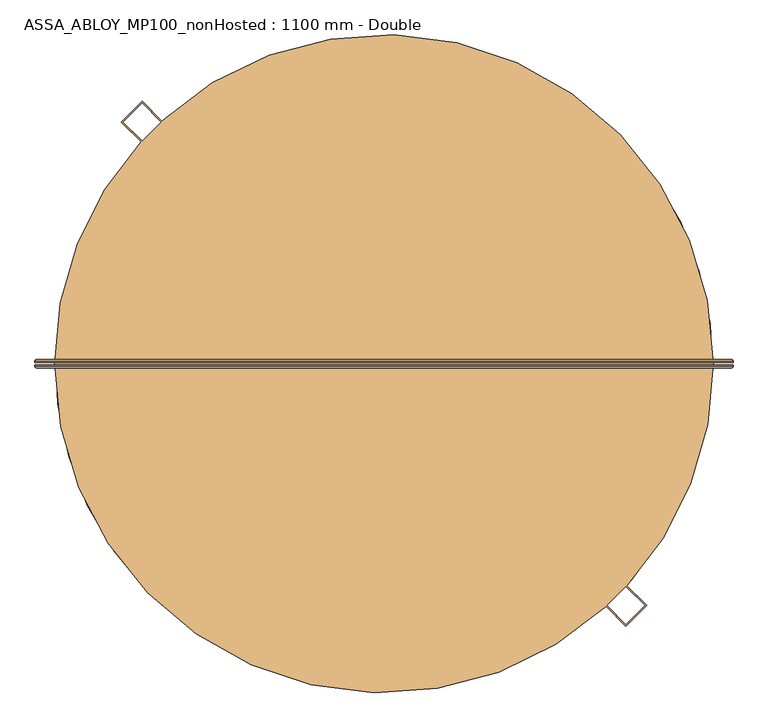
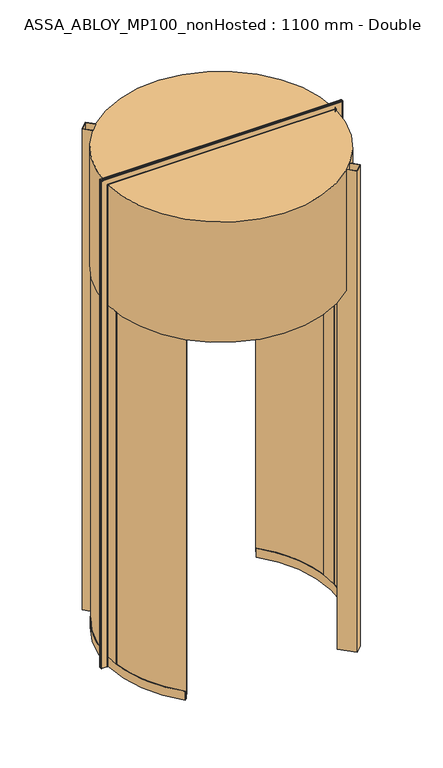
"""IFC4 building model written with IfcOpenShell, lengths in millimetres: door geometry, ASSA_ABLOY_MP100_nonHosted : 1100 mm - Double."""

from ifc_helpers import new_model, si_unit, point, frame, origin, origin_2d, place, context, project, spatial, polyline, circle_curve, ellipse_curve, trimmed, segment, composite_curve, outline, extrude, source, transform, mapped, element, save
from ifc_brep_helpers import plane_surface, cylinder_surface, revolved_surface, advanced_brep


def assa_abloy_mp100_nonhosted_1100_mm_double_1630bb38(model_context):
    return source(origin(), model_context, "Body", "SolidModel", [
        advanced_brep(
        [(945.0980762, 11.0, 0.0), (949.0980762, 7.0, 0.0), (949.0980762, 3.0, 0.0), (947.0980762, 3.0, 0.0), (947.0980762, 7.0, 0.0), (945.0980762, 9.0, 0.0), (903.0980762, 9.0, 0.0), (901.0980762, 7.0, 0.0), (901.0980762, 3.0, 0.0), (899.0980762, 3.0, 0.0), (899.0980762, 7.0, 0.0), (903.0980762, 11.0, 0.0), (945.0980762, 11.0, 4050.9980762), (949.0980762, 7.0, 4054.9980762), (949.0980762, 3.0, 4054.9980762), (899.0980762, 7.0, 4004.9980762), (903.0980762, 11.0, 4008.9980762), (-903.0980762, 11.0, 4008.9980762), (-903.0980762, 11.0, 0.0), (-945.0980762, 11.0, 0.0), (-945.0980762, 11.0, 4050.9980762), (-949.0980762, 7.0, 4054.9980762), (-949.0980762, 3.0, 4054.9980762), (-899.0980762, 7.0, 4004.9980762), (-899.0980762, 7.0, 0.0), (-899.0980762, 3.0, 0.0), (-901.0980762, 3.0, 0.0), (-901.0980762, 7.0, 0.0), (-903.0980762, 9.0, 0.0), (-945.0980762, 9.0, 0.0), (-947.0980762, 7.0, 0.0), (-947.0980762, 3.0, 0.0), (-949.0980762, 3.0, 0.0), (-949.0980762, 7.0, 0.0), (-947.0980762, 3.0, 4052.9980762), (947.0980762, 3.0, 4052.9980762), (947.0980762, 7.0, 4052.9980762), (945.0980762, 9.0, 4050.9980762), (-945.0980762, 9.0, 4050.9980762), (-903.0980762, 9.0, 4008.9980762), (903.0980762, 9.0, 4008.9980762), (901.0980762, 7.0, 4006.9980762), (901.0980762, 3.0, 4006.9980762), (-901.0980762, 3.0, 4006.9980762), (-899.0980762, 3.0, 4004.9980762), (899.0980762, 3.0, 4004.9980762), (-947.0980762, 7.0, 4052.9980762), (-901.0980762, 7.0, 4006.9980762)],
        [
            (0, 1, circle_curve(frame((945.0980762, 7.0, 0.0), z_axis=(0.0, 0.0, -1.0), x_axis=(-1.0, 0.0, 0.0)), 4.0)),
            (1, 2),
            (2, 3),
            (3, 4),
            (4, 5, circle_curve(frame((945.0980762, 7.0, 0.0), z_axis=(0.0, 0.0, 1.0), x_axis=(-1.0, 0.0, 0.0)), 2.0)),
            (5, 6),
            (6, 7, circle_curve(frame((903.0980762, 7.0, 0.0), z_axis=(0.0, 0.0, 1.0), x_axis=(-1.0, 0.0, 0.0)), 2.0)),
            (7, 8),
            (8, 9),
            (9, 10),
            (10, 11, circle_curve(frame((903.0980762, 7.0, 0.0), z_axis=(0.0, 0.0, -1.0), x_axis=(-1.0, 0.0, 0.0)), 4.0)),
            (11, 0),
            (0, 12),
            (12, 13, ellipse_curve(frame((945.0980762, 7.0, 4050.9980762), z_axis=(0.7071067811865475, 0.0, -0.7071067811865475), x_axis=(-0.7071067811865474, 0.0, -0.7071067811865476)), 5.6568542, 4.0)),
            (13, 1),
            (13, 14),
            (14, 2),
            (10, 15),
            (15, 16, ellipse_curve(frame((903.0980762, 7.0, 4008.9980762), z_axis=(0.7071067811865475, 0.0, -0.7071067811865475), x_axis=(-0.7071067811865474, 0.0, -0.7071067811865476)), 5.6568542, 4.0)),
            (16, 11),
            (16, 17),
            (17, 18),
            (18, 19),
            (19, 20),
            (20, 12),
            (20, 21, ellipse_curve(frame((-945.0980762, 7.0, 4050.9980762), z_axis=(0.7071067811865475, 0.0, 0.7071067811865475), x_axis=(0.7071067811865476, 0.0, -0.7071067811865474)), 5.6568542, 4.0)),
            (21, 13),
            (21, 22),
            (22, 14),
            (15, 23),
            (23, 17, ellipse_curve(frame((-903.0980762, 7.0, 4008.9980762), z_axis=(0.7071067811865475, 0.0, 0.7071067811865475), x_axis=(0.7071067811865476, 0.0, -0.7071067811865474)), 5.6568542, 4.0)),
            (18, 24, circle_curve(frame((-903.0980762, 7.0, 0.0), z_axis=(0.0, 0.0, -1.0), x_axis=(1.0, 0.0, 0.0)), 4.0)),
            (24, 25),
            (25, 26),
            (26, 27),
            (27, 28, circle_curve(frame((-903.0980762, 7.0, 0.0), z_axis=(0.0, 0.0, 1.0), x_axis=(1.0, 0.0, 0.0)), 2.0)),
            (28, 29),
            (29, 30, circle_curve(frame((-945.0980762, 7.0, 0.0), z_axis=(0.0, 0.0, 1.0), x_axis=(1.0, 0.0, 0.0)), 2.0)),
            (30, 31),
            (31, 32),
            (32, 33),
            (33, 19, circle_curve(frame((-945.0980762, 7.0, 0.0), z_axis=(0.0, 0.0, -1.0), x_axis=(1.0, 0.0, 0.0)), 4.0)),
            (33, 21),
            (32, 22),
            (23, 24),
            (31, 34),
            (34, 35),
            (35, 3),
            (35, 36),
            (36, 4),
            (36, 37, ellipse_curve(frame((945.0980762, 7.0, 4050.9980762), z_axis=(-0.7071067811865475, 0.0, 0.7071067811865475), x_axis=(0.7071067811865474, 0.0, 0.7071067811865476)), 2.8284271, 2.0)),
            (37, 5),
            (37, 38),
            (38, 29),
            (28, 39),
            (39, 40),
            (40, 6),
            (40, 41, ellipse_curve(frame((903.0980762, 7.0, 4008.9980762), z_axis=(-0.7071067811865475, 0.0, 0.7071067811865475), x_axis=(0.7071067811865474, 0.0, 0.7071067811865476)), 2.8284271, 2.0)),
            (41, 7),
            (41, 42),
            (42, 8),
            (42, 43),
            (43, 26),
            (25, 44),
            (44, 45),
            (45, 9),
            (45, 15),
            (34, 46),
            (46, 36),
            (46, 38, ellipse_curve(frame((-945.0980762, 7.0, 4050.9980762), z_axis=(-0.7071067811865475, 0.0, -0.7071067811865475), x_axis=(-0.7071067811865476, 0.0, 0.7071067811865474)), 2.8284271, 2.0)),
            (39, 47, ellipse_curve(frame((-903.0980762, 7.0, 4008.9980762), z_axis=(-0.7071067811865475, 0.0, -0.7071067811865475), x_axis=(-0.7071067811865476, 0.0, 0.7071067811865474)), 2.8284271, 2.0)),
            (47, 41),
            (47, 43),
            (44, 23),
            (30, 46),
            (27, 47),
        ],
        [
            plane_surface(frame((899.1, 0.0, 0.0), z_axis=(0.0, 0.0, -1.0), x_axis=(0.0, -1.0, 0.0))),
            cylinder_surface(frame((945.0980762, 7.0, 0.0), z_axis=(0.0, 0.0, -1.0), x_axis=(-1.0, 0.0, 0.0)), 4.0),
            plane_surface(frame((949.0980762, 7.0, 0.0), z_axis=(1.0, 0.0, 0.0), x_axis=(0.0, 0.0, 1.0))),
            cylinder_surface(frame((903.0980762, 7.0, 0.0), z_axis=(0.0, 0.0, -1.0), x_axis=(-1.0, 0.0, 0.0)), 4.0),
            plane_surface(frame((903.0980762, 11.0, 0.0), z_axis=(0.0, 1.0, 0.0), x_axis=(0.0, 0.0, 1.0))),
            cylinder_surface(frame((899.1, 7.0, 4050.9980762), z_axis=(1.0, 0.0, 0.0), x_axis=(0.0, 0.0, -1.0)), 4.0),
            plane_surface(frame((949.0980762, 7.0, 4054.9980762), z_axis=(0.0, 0.0, 1.0), x_axis=(-1.0, 0.0, 0.0))),
            cylinder_surface(frame((899.1, 7.0, 4008.9980762), z_axis=(1.0, 0.0, 0.0), x_axis=(0.0, 0.0, -1.0)), 4.0),
            plane_surface(frame((-899.1, 0.0, 0.0), z_axis=(0.0, 0.0, -1.0), x_axis=(0.0, -1.0, 0.0))),
            cylinder_surface(frame((-945.0980762, 7.0, 4005.0), z_axis=(0.0, 0.0, 1.0), x_axis=(1.0, 0.0, 0.0)), 4.0),
            plane_surface(frame((-949.0980762, 7.0, 4054.9980762), z_axis=(-1.0, 0.0, 0.0), x_axis=(0.0, 0.0, -1.0))),
            cylinder_surface(frame((-903.0980762, 7.0, 4005.0), z_axis=(0.0, 0.0, 1.0), x_axis=(1.0, 0.0, 0.0)), 4.0),
            plane_surface(frame((949.0980762, 3.0, 0.0), z_axis=(0.0, -1.0, 0.0), x_axis=(0.0, 0.0, 1.0))),
            plane_surface(frame((947.0980762, 3.0, 0.0), z_axis=(-1.0, 0.0, 0.0), x_axis=(0.0, 0.0, 1.0))),
            revolved_surface(polyline([(943.0980762, 7.0, 4052.9980762), (943.0980762, 7.0, 0.0)]), (945.0980762, 7.0, 0.0), (0.0, 0.0, 1.0)),
            plane_surface(frame((945.0980762, 9.0, 0.0), z_axis=(0.0, -1.0, 0.0), x_axis=(0.0, 0.0, 1.0))),
            revolved_surface(polyline([(901.0980762, 7.0, 4010.998076182502), (901.0980762, 7.0, 0.0)]), (903.0980762, 7.0, 0.0), (0.0, 0.0, 1.0)),
            plane_surface(frame((901.0980762, 7.0, 0.0), z_axis=(1.0, 0.0, 0.0), x_axis=(0.0, 0.0, 1.0))),
            plane_surface(frame((901.0980762, 3.0, 0.0), z_axis=(0.0, -1.0, 0.0), x_axis=(0.0, 0.0, 1.0))),
            plane_surface(frame((899.0980762, 3.0, 0.0), z_axis=(-1.0, 0.0, 0.0), x_axis=(0.0, 0.0, 1.0))),
            plane_surface(frame((947.0980762, 3.0, 4052.9980762), z_axis=(0.0, 0.0, -1.0), x_axis=(-1.0, 0.0, 0.0))),
            revolved_surface(polyline([(-947.0980762, 7.0, 4048.9980762), (947.0980762, 7.0, 4048.9980762)]), (899.1, 7.0, 4050.9980762), (-1.0, 0.0, 0.0)),
            revolved_surface(polyline([(-905.0980761825018, 7.0, 4006.9980762), (905.0980761825018, 7.0, 4006.9980762)]), (899.1, 7.0, 4008.9980762), (-1.0, 0.0, 0.0)),
            plane_surface(frame((901.0980762, 7.0, 4006.9980762), z_axis=(0.0, 0.0, 1.0), x_axis=(-1.0, 0.0, 0.0))),
            plane_surface(frame((899.0980762, 3.0, 4004.9980762), z_axis=(0.0, 0.0, -1.0), x_axis=(-1.0, 0.0, 0.0))),
            plane_surface(frame((-947.0980762, 3.0, 4052.9980762), z_axis=(1.0, 0.0, 0.0), x_axis=(0.0, 0.0, -1.0))),
            revolved_surface(polyline([(-943.0980762, 7.0, 0.0), (-943.0980762, 7.0, 4052.9980762)]), (-945.0980762, 7.0, 4005.0), (0.0, 0.0, -1.0)),
            revolved_surface(polyline([(-901.0980762, 7.0, 0.0), (-901.0980762, 7.0, 4010.998076182502)]), (-903.0980762, 7.0, 4005.0), (0.0, 0.0, -1.0)),
            plane_surface(frame((-901.0980762, 7.0, 4006.9980762), z_axis=(-1.0, 0.0, 0.0), x_axis=(0.0, 0.0, -1.0))),
            plane_surface(frame((-899.0980762, 3.0, 4004.9980762), z_axis=(1.0, 0.0, 0.0), x_axis=(0.0, 0.0, -1.0))),
        ],
        [
            (0, [[1, 2, 3, 4, 5, 6, 7, 8, 9, 10, 11, 12]]),
            (1, [[-1, 13, 14, 15]]),
            (2, [[-2, -15, 16, 17]]),
            (3, [[-11, 18, 19, 20]]),
            (4, [[-12, -20, 21, 22, 23, 24, 25, -13]]),
            (5, [[-14, -25, 26, 27]]),
            (6, [[-16, -27, 28, 29]]),
            (7, [[-19, 30, 31, -21]]),
            (8, [[-23, 32, 33, 34, 35, 36, 37, 38, 39, 40, 41, 42]]),
            (9, [[-26, -24, -42, 43]]),
            (10, [[-28, -43, -41, 44]]),
            (11, [[-31, 45, -32, -22]]),
            (12, [[-3, -17, -29, -44, -40, 46, 47, 48]]),
            (13, [[-4, -48, 49, 50]]),
            (14, [[-5, -50, 51, 52]]),
            (15, [[-6, -52, 53, 54, -37, 55, 56, 57]]),
            (16, [[-7, -57, 58, 59]]),
            (17, [[-8, -59, 60, 61]]),
            (18, [[-9, -61, 62, 63, -34, 64, 65, 66]]),
            (19, [[-10, -66, 67, -18]]),
            (20, [[-49, -47, 68, 69]]),
            (21, [[-51, -69, 70, -53]]),
            (22, [[-58, -56, 71, 72]]),
            (23, [[-60, -72, 73, -62]]),
            (24, [[-67, -65, 74, -30]]),
            (25, [[-68, -46, -39, 75]]),
            (26, [[-70, -75, -38, -54]]),
            (27, [[-71, -55, -36, 76]]),
            (28, [[-73, -76, -35, -63]]),
            (29, [[-74, -64, -33, -45]]),
        ],
    ),
        advanced_brep(
        [(899.0980762, -3.0, 0.0), (901.0980762, -3.0, 0.0), (901.0980762, -7.0, 0.0), (903.0980762, -9.0, 0.0), (945.0980762, -9.0, 0.0), (947.0980762, -7.0, 0.0), (947.0980762, -3.0, 0.0), (949.0980762, -3.0, 0.0), (949.0980762, -7.0, 0.0), (945.0980762, -11.0, 0.0), (903.0980762, -11.0, 0.0), (899.0980762, -7.0, 0.0), (949.0980762, -7.0, 4054.9980762), (945.0980762, -11.0, 4050.9980762), (-945.0980762, -11.0, 4050.9980762), (-945.0980762, -11.0, 0.0), (-903.0980762, -11.0, 0.0), (-903.0980762, -11.0, 4008.9980762), (903.0980762, -11.0, 4008.9980762), (899.0980762, -7.0, 4004.9980762), (899.0980762, -3.0, 4004.9980762), (-949.0980762, -7.0, 4054.9980762), (-899.0980762, -7.0, 4004.9980762), (-899.0980762, -3.0, 4004.9980762), (-899.0980762, -3.0, 0.0), (-899.0980762, -7.0, 0.0), (-949.0980762, -7.0, 0.0), (-949.0980762, -3.0, 0.0), (-947.0980762, -3.0, 0.0), (-947.0980762, -7.0, 0.0), (-945.0980762, -9.0, 0.0), (-903.0980762, -9.0, 0.0), (-901.0980762, -7.0, 0.0), (-901.0980762, -3.0, 0.0), (-901.0980762, -3.0, 4006.9980762), (901.0980762, -3.0, 4006.9980762), (901.0980762, -7.0, 4006.9980762), (903.0980762, -9.0, 4008.9980762), (-903.0980762, -9.0, 4008.9980762), (-945.0980762, -9.0, 4050.9980762), (945.0980762, -9.0, 4050.9980762), (947.0980762, -7.0, 4052.9980762), (947.0980762, -3.0, 4052.9980762), (-947.0980762, -3.0, 4052.9980762), (-949.0980762, -3.0, 4054.9980762), (949.0980762, -3.0, 4054.9980762), (-901.0980762, -7.0, 4006.9980762), (-947.0980762, -7.0, 4052.9980762)],
        [
            (0, 1),
            (1, 2),
            (2, 3, circle_curve(frame((903.0980762, -7.0, 0.0), z_axis=(0.0, 0.0, 1.0), x_axis=(-1.0, 0.0, 0.0)), 2.0)),
            (3, 4),
            (4, 5, circle_curve(frame((945.0980762, -7.0, 0.0), z_axis=(0.0, 0.0, 1.0), x_axis=(-1.0, 0.0, 0.0)), 2.0)),
            (5, 6),
            (6, 7),
            (7, 8),
            (8, 9, circle_curve(frame((945.0980762, -7.0, 0.0), z_axis=(0.0, 0.0, -1.0), x_axis=(-1.0, 0.0, 0.0)), 4.0)),
            (9, 10),
            (10, 11, circle_curve(frame((903.0980762, -7.0, 0.0), z_axis=(0.0, 0.0, -1.0), x_axis=(-1.0, 0.0, 0.0)), 4.0)),
            (11, 0),
            (8, 12),
            (12, 13, ellipse_curve(frame((945.0980762, -7.0, 4050.9980762), z_axis=(0.7071067811865475, 0.0, -0.7071067811865475), x_axis=(-0.7071067811865474, 0.0, -0.7071067811865476)), 5.6568542, 4.0)),
            (13, 9),
            (13, 14),
            (14, 15),
            (15, 16),
            (16, 17),
            (17, 18),
            (18, 10),
            (18, 19, ellipse_curve(frame((903.0980762, -7.0, 4008.9980762), z_axis=(0.7071067811865475, 0.0, -0.7071067811865475), x_axis=(-0.7071067811865474, 0.0, -0.7071067811865476)), 5.6568542, 4.0)),
            (19, 11),
            (19, 20),
            (20, 0),
            (12, 21),
            (21, 14, ellipse_curve(frame((-945.0980762, -7.0, 4050.9980762), z_axis=(0.7071067811865475, 0.0, 0.7071067811865475), x_axis=(0.7071067811865476, 0.0, -0.7071067811865474)), 5.6568542, 4.0)),
            (17, 22, ellipse_curve(frame((-903.0980762, -7.0, 4008.9980762), z_axis=(0.7071067811865475, 0.0, 0.7071067811865475), x_axis=(0.7071067811865476, 0.0, -0.7071067811865474)), 5.6568542, 4.0)),
            (22, 19),
            (22, 23),
            (23, 20),
            (24, 25),
            (25, 16, circle_curve(frame((-903.0980762, -7.0, 0.0), z_axis=(0.0, 0.0, -1.0), x_axis=(1.0, 0.0, 0.0)), 4.0)),
            (15, 26, circle_curve(frame((-945.0980762, -7.0, 0.0), z_axis=(0.0, 0.0, -1.0), x_axis=(1.0, 0.0, 0.0)), 4.0)),
            (26, 27),
            (27, 28),
            (28, 29),
            (29, 30, circle_curve(frame((-945.0980762, -7.0, 0.0), z_axis=(0.0, 0.0, 1.0), x_axis=(1.0, 0.0, 0.0)), 2.0)),
            (30, 31),
            (31, 32, circle_curve(frame((-903.0980762, -7.0, 0.0), z_axis=(0.0, 0.0, 1.0), x_axis=(1.0, 0.0, 0.0)), 2.0)),
            (32, 33),
            (33, 24),
            (21, 26),
            (25, 22),
            (24, 23),
            (33, 34),
            (34, 35),
            (35, 1),
            (35, 36),
            (36, 2),
            (36, 37, ellipse_curve(frame((903.0980762, -7.0, 4008.9980762), z_axis=(-0.7071067811865475, 0.0, 0.7071067811865475), x_axis=(0.7071067811865474, 0.0, 0.7071067811865476)), 2.8284271, 2.0)),
            (37, 3),
            (37, 38),
            (38, 31),
            (30, 39),
            (39, 40),
            (40, 4),
            (40, 41, ellipse_curve(frame((945.0980762, -7.0, 4050.9980762), z_axis=(-0.7071067811865475, 0.0, 0.7071067811865475), x_axis=(0.7071067811865474, 0.0, 0.7071067811865476)), 2.8284271, 2.0)),
            (41, 5),
            (41, 42),
            (42, 6),
            (42, 43),
            (43, 28),
            (27, 44),
            (44, 45),
            (45, 7),
            (45, 12),
            (34, 46),
            (46, 36),
            (46, 38, ellipse_curve(frame((-903.0980762, -7.0, 4008.9980762), z_axis=(-0.7071067811865475, 0.0, -0.7071067811865475), x_axis=(-0.7071067811865476, 0.0, 0.7071067811865474)), 2.8284271, 2.0)),
            (39, 47, ellipse_curve(frame((-945.0980762, -7.0, 4050.9980762), z_axis=(-0.7071067811865475, 0.0, -0.7071067811865475), x_axis=(-0.7071067811865476, 0.0, 0.7071067811865474)), 2.8284271, 2.0)),
            (47, 41),
            (47, 43),
            (44, 21),
            (32, 46),
            (29, 47),
        ],
        [
            plane_surface(frame((899.1, 0.0, 0.0), z_axis=(0.0, 0.0, -1.0), x_axis=(0.0, -1.0, 0.0))),
            cylinder_surface(frame((945.0980762, -7.0, 0.0), z_axis=(0.0, 0.0, -1.0), x_axis=(-1.0, 0.0, 0.0)), 4.0),
            plane_surface(frame((945.0980762, -11.0, 0.0), z_axis=(0.0, -1.0, 0.0), x_axis=(0.0, 0.0, 1.0))),
            cylinder_surface(frame((903.0980762, -7.0, 0.0), z_axis=(0.0, 0.0, -1.0), x_axis=(-1.0, 0.0, 0.0)), 4.0),
            plane_surface(frame((899.0980762, -7.0, 0.0), z_axis=(-1.0, 0.0, 0.0), x_axis=(0.0, 0.0, 1.0))),
            cylinder_surface(frame((899.1, -7.0, 4050.9980762), z_axis=(1.0, 0.0, 0.0), x_axis=(0.0, 0.0, -1.0)), 4.0),
            cylinder_surface(frame((899.1, -7.0, 4008.9980762), z_axis=(1.0, 0.0, 0.0), x_axis=(0.0, 0.0, -1.0)), 4.0),
            plane_surface(frame((899.0980762, -7.0, 4004.9980762), z_axis=(0.0, 0.0, -1.0), x_axis=(-1.0, 0.0, 0.0))),
            plane_surface(frame((-899.1, 0.0, 0.0), z_axis=(0.0, 0.0, -1.0), x_axis=(0.0, -1.0, 0.0))),
            cylinder_surface(frame((-945.0980762, -7.0, 4005.0), z_axis=(0.0, 0.0, 1.0), x_axis=(1.0, 0.0, 0.0)), 4.0),
            cylinder_surface(frame((-903.0980762, -7.0, 4005.0), z_axis=(0.0, 0.0, 1.0), x_axis=(1.0, 0.0, 0.0)), 4.0),
            plane_surface(frame((-899.0980762, -7.0, 4004.9980762), z_axis=(1.0, 0.0, 0.0), x_axis=(0.0, 0.0, -1.0))),
            plane_surface(frame((899.0980762, -3.0, 0.0), z_axis=(0.0, 1.0, 0.0), x_axis=(0.0, 0.0, 1.0))),
            plane_surface(frame((901.0980762, -3.0, 0.0), z_axis=(1.0, 0.0, 0.0), x_axis=(0.0, 0.0, 1.0))),
            revolved_surface(polyline([(901.0980762, -7.0, 4010.998076182502), (901.0980762, -7.0, 0.0)]), (903.0980762, -7.0, 0.0), (0.0, 0.0, 1.0)),
            plane_surface(frame((903.0980762, -9.0, 0.0), z_axis=(0.0, 1.0, 0.0), x_axis=(0.0, 0.0, 1.0))),
            revolved_surface(polyline([(943.0980762, -7.0, 4052.9980762), (943.0980762, -7.0, 0.0)]), (945.0980762, -7.0, 0.0), (0.0, 0.0, 1.0)),
            plane_surface(frame((947.0980762, -7.0, 0.0), z_axis=(-1.0, 0.0, 0.0), x_axis=(0.0, 0.0, 1.0))),
            plane_surface(frame((947.0980762, -3.0, 0.0), z_axis=(0.0, 1.0, 0.0), x_axis=(0.0, 0.0, 1.0))),
            plane_surface(frame((949.0980762, -3.0, 0.0), z_axis=(1.0, 0.0, 0.0), x_axis=(0.0, 0.0, 1.0))),
            plane_surface(frame((901.0980762, -3.0, 4006.9980762), z_axis=(0.0, 0.0, 1.0), x_axis=(-1.0, 0.0, 0.0))),
            revolved_surface(polyline([(-905.0980761825018, -7.0, 4006.9980762), (905.0980761825018, -7.0, 4006.9980762)]), (899.1, -7.0, 4008.9980762), (-1.0, 0.0, 0.0)),
            revolved_surface(polyline([(-947.0980762, -7.0, 4048.9980762), (947.0980762, -7.0, 4048.9980762)]), (899.1, -7.0, 4050.9980762), (-1.0, 0.0, 0.0)),
            plane_surface(frame((947.0980762, -7.0, 4052.9980762), z_axis=(0.0, 0.0, -1.0), x_axis=(-1.0, 0.0, 0.0))),
            plane_surface(frame((949.0980762, -3.0, 4054.9980762), z_axis=(0.0, 0.0, 1.0), x_axis=(-1.0, 0.0, 0.0))),
            plane_surface(frame((-901.0980762, -3.0, 4006.9980762), z_axis=(-1.0, 0.0, 0.0), x_axis=(0.0, 0.0, -1.0))),
            revolved_surface(polyline([(-901.0980762, -7.0, 0.0), (-901.0980762, -7.0, 4010.998076182502)]), (-903.0980762, -7.0, 4005.0), (0.0, 0.0, -1.0)),
            revolved_surface(polyline([(-943.0980762, -7.0, 0.0), (-943.0980762, -7.0, 4052.9980762)]), (-945.0980762, -7.0, 4005.0), (0.0, 0.0, -1.0)),
            plane_surface(frame((-947.0980762, -7.0, 4052.9980762), z_axis=(1.0, 0.0, 0.0), x_axis=(0.0, 0.0, -1.0))),
            plane_surface(frame((-949.0980762, -3.0, 4054.9980762), z_axis=(-1.0, 0.0, 0.0), x_axis=(0.0, 0.0, -1.0))),
        ],
        [
            (0, [[1, 2, 3, 4, 5, 6, 7, 8, 9, 10, 11, 12]]),
            (1, [[-9, 13, 14, 15]]),
            (2, [[-10, -15, 16, 17, 18, 19, 20, 21]]),
            (3, [[-11, -21, 22, 23]]),
            (4, [[-12, -23, 24, 25]]),
            (5, [[-14, 26, 27, -16]]),
            (6, [[-22, -20, 28, 29]]),
            (7, [[-24, -29, 30, 31]]),
            (8, [[32, 33, -18, 34, 35, 36, 37, 38, 39, 40, 41, 42]]),
            (9, [[-27, 43, -34, -17]]),
            (10, [[-28, -19, -33, 44]]),
            (11, [[-30, -44, -32, 45]]),
            (12, [[-1, -25, -31, -45, -42, 46, 47, 48]]),
            (13, [[-2, -48, 49, 50]]),
            (14, [[-3, -50, 51, 52]]),
            (15, [[-4, -52, 53, 54, -39, 55, 56, 57]]),
            (16, [[-5, -57, 58, 59]]),
            (17, [[-6, -59, 60, 61]]),
            (18, [[-7, -61, 62, 63, -36, 64, 65, 66]]),
            (19, [[-8, -66, 67, -13]]),
            (20, [[-49, -47, 68, 69]]),
            (21, [[-51, -69, 70, -53]]),
            (22, [[-58, -56, 71, 72]]),
            (23, [[-60, -72, 73, -62]]),
            (24, [[-67, -65, 74, -26]]),
            (25, [[-68, -46, -41, 75]]),
            (26, [[-70, -75, -40, -54]]),
            (27, [[-71, -55, -38, 76]]),
            (28, [[-73, -76, -37, -63]]),
            (29, [[-74, -64, -35, -43]]),
        ],
    ),
        advanced_brep(
        [(-627.3617517, -607.8707388, 73.0), (-629.5162766, -609.9583265, 73.0), (-629.5162766, -609.9583265, 39.0), (-639.5707263, -619.7004023, 39.0), (-639.5707263, -619.7004023, 73.0), (-641.7252512, -621.78799, 73.0), (-641.7252512, -621.78799, 0.0), (-639.5707263, -619.7004023, 0.0), (-639.5707263, -619.7004023, 24.0), (-629.5162766, -609.9583265, 24.0), (-629.5162766, -609.9583265, 0.0), (-627.3617517, -607.8707388, 0.0), (-656.9545533, 575.7606424, 73.0), (-656.9545533, 575.7606424, 0.0), (-659.2107077, 577.7379556, 0.0), (-659.2107077, 577.7379556, 24.0), (-669.7394281, 586.9654171, 24.0), (-669.7394281, 586.9654171, 0.0), (-671.9955825, 588.9427303, 0.0), (-671.9955825, 588.9427303, 73.0), (-669.7394281, 586.9654171, 73.0), (-669.7394281, 586.9654171, 39.0), (-659.2107077, 577.7379556, 39.0), (-659.2107077, 577.7379556, 73.0), (-867.047818, -106.3846031, 73.0), (-870.0254878, -106.7499558, 73.0), (-876.0564154, 29.4118941, 73.0), (-873.0581047, 29.3112316, 73.0), (-890.0485306, 29.8816961, 73.0), (-883.9212749, -108.4549784, 73.0), (-886.8989447, -108.8203312, 73.0), (-893.0468413, 29.9823587, 73.0), (-893.0468413, 29.9823587, 3000.0), (-886.8989447, -108.8203312, 3000.0), (-883.9212749, -108.4549784, 3000.0), (-890.0485306, 29.8816961, 3000.0), (-873.0581047, 29.3112316, 3000.0), (-876.0564154, 29.4118941, 3000.0), (-870.0254878, -106.7499558, 3000.0), (-867.047818, -106.3846031, 3000.0)],
        [
            (0, 1),
            (1, 2),
            (2, 3),
            (3, 4),
            (4, 5),
            (5, 6),
            (6, 7),
            (7, 8),
            (8, 9),
            (9, 10),
            (10, 11),
            (11, 0),
            (12, 13),
            (13, 14),
            (14, 15),
            (15, 16),
            (16, 17),
            (17, 18),
            (18, 19),
            (19, 20),
            (20, 21),
            (21, 22),
            (22, 23),
            (23, 12),
            (0, 24, circle_curve(frame((0.0, 0.0, 73.0), z_axis=(0.0, 0.0, -1.0), x_axis=(-0.718174977567995, -0.6958625594147237, 0.0)), 873.55)),
            (24, 25),
            (25, 1, circle_curve(frame((0.0, 0.0, 73.0), z_axis=(0.0, 0.0, 1.0), x_axis=(-0.718174977567995, -0.6958625594147237, 0.0)), 876.55)),
            (23, 26, circle_curve(frame((0.0, 0.0, 73.0), z_axis=(0.0, 0.0, 1.0), x_axis=(-0.718174977567995, -0.6958625594147237, 0.0)), 876.55)),
            (26, 27),
            (27, 12, circle_curve(frame((0.0, 0.0, 73.0), z_axis=(0.0, 0.0, -1.0), x_axis=(-0.718174977567995, -0.6958625594147237, 0.0)), 873.55)),
            (25, 26, circle_curve(frame((0.0, 0.0, 73.0), z_axis=(0.0, 0.0, -1.0), x_axis=(-0.718174977567995, -0.6958625594147237, 0.0)), 876.55)),
            (22, 2, circle_curve(frame((0.0, 0.0, 39.0), z_axis=(0.0, 0.0, 1.0), x_axis=(-0.718174977567995, -0.6958625594147237, 0.0)), 876.55)),
            (21, 3, circle_curve(frame((0.0, 0.0, 39.0), z_axis=(0.0, 0.0, 1.0), x_axis=(-0.718174977567995, -0.6958625594147237, 0.0)), 890.55)),
            (20, 28, circle_curve(frame((0.0, 0.0, 73.0), z_axis=(0.0, 0.0, 1.0), x_axis=(-0.718174977567995, -0.6958625594147237, 0.0)), 890.55)),
            (28, 29, circle_curve(frame((0.0, 0.0, 73.0), z_axis=(0.0, 0.0, 1.0), x_axis=(-0.718174977567995, -0.6958625594147237, 0.0)), 890.55)),
            (29, 4, circle_curve(frame((0.0, 0.0, 73.0), z_axis=(0.0, 0.0, 1.0), x_axis=(-0.718174977567995, -0.6958625594147237, 0.0)), 890.55)),
            (29, 30),
            (30, 5, circle_curve(frame((0.0, 0.0, 73.0), z_axis=(0.0, 0.0, 1.0), x_axis=(-0.718174977567995, -0.6958625594147237, 0.0)), 893.55)),
            (19, 31, circle_curve(frame((0.0, 0.0, 73.0), z_axis=(0.0, 0.0, 1.0), x_axis=(-0.718174977567995, -0.6958625594147237, 0.0)), 893.55)),
            (31, 28),
            (30, 31, circle_curve(frame((0.0, 0.0, 73.0), z_axis=(0.0, 0.0, -1.0), x_axis=(-0.718174977567995, -0.6958625594147237, 0.0)), 893.55)),
            (18, 6, circle_curve(frame((0.0, 0.0, 0.0), z_axis=(0.0, 0.0, 1.0), x_axis=(-0.718174977567995, -0.6958625594147237, 0.0)), 893.55)),
            (17, 7, circle_curve(frame((0.0, 0.0, 0.0), z_axis=(0.0, 0.0, 1.0), x_axis=(-0.718174977567995, -0.6958625594147237, 0.0)), 890.55)),
            (16, 8, circle_curve(frame((0.0, 0.0, 24.0), z_axis=(0.0, 0.0, 1.0), x_axis=(-0.718174977567995, -0.6958625594147237, 0.0)), 890.55)),
            (15, 9, circle_curve(frame((0.0, 0.0, 24.0), z_axis=(0.0, 0.0, 1.0), x_axis=(-0.718174977567995, -0.6958625594147237, 0.0)), 876.55)),
            (14, 10, circle_curve(frame((0.0, 0.0, 0.0), z_axis=(0.0, 0.0, 1.0), x_axis=(-0.718174977567995, -0.6958625594147237, 0.0)), 876.55)),
            (13, 11, circle_curve(frame((0.0, 0.0, 0.0), z_axis=(0.0, 0.0, 1.0), x_axis=(-0.718174977567995, -0.6958625594147237, 0.0)), 873.55)),
            (27, 24, circle_curve(frame((0.0, 0.0, 73.0), z_axis=(0.0, 0.0, 1.0), x_axis=(-0.718174977567995, -0.6958625594147237, 0.0)), 873.55)),
            (32, 33, circle_curve(frame((0.0, 0.0, 3000.0), z_axis=(0.0, 0.0, 1.0), x_axis=(0.7071067811865459, -0.7071067811865491, 0.0)), 893.55)),
            (33, 34),
            (34, 35, circle_curve(frame((0.0, 0.0, 3000.0), z_axis=(0.0, 0.0, -1.0), x_axis=(0.7071067811865459, -0.7071067811865491, 0.0)), 890.55)),
            (35, 32),
            (32, 31),
            (30, 33),
            (29, 34),
            (28, 35),
            (36, 37),
            (37, 38, circle_curve(frame((0.0, 0.0, 3000.0), z_axis=(0.0, 0.0, 1.0), x_axis=(0.7071067811865459, -0.7071067811865492, 0.0)), 876.55)),
            (38, 39),
            (39, 36, circle_curve(frame((0.0, 0.0, 3000.0), z_axis=(0.0, 0.0, -1.0), x_axis=(0.7071067811865459, -0.7071067811865492, 0.0)), 873.55)),
            (36, 27),
            (26, 37),
            (25, 38),
            (24, 39),
        ],
        [
            plane_surface(frame((-634.5435014, -614.8293644, 0.0), z_axis=(0.6958625594147237, -0.718174977567995, 0.0), x_axis=(0.0, 0.0, 1.0))),
            plane_surface(frame((-664.4750679, 582.3516864, 0.0), z_axis=(0.6591043929135904, 0.7520514605012131, 0.0), x_axis=(0.0, 0.0, 1.0))),
            plane_surface(frame((0.0, 0.0, 73.0), z_axis=(0.0, 0.0, 1.0), x_axis=(-0.718174977567995, -0.6958625594147237, 0.0))),
            cylinder_surface(frame((0.0, 0.0, 0.0), z_axis=(0.0, 0.0, -1.0), x_axis=(-0.718174977567995, -0.6958625594147237, 0.0)), 876.55),
            plane_surface(frame((0.0, 0.0, 39.0), z_axis=(0.0, 0.0, 1.0), x_axis=(-0.718174977567995, -0.6958625594147237, 0.0))),
            revolved_surface(polyline([(-639.5707262731779, -619.7004022867822, 39.0), (-639.5707262731779, -619.7004022867822, 73.0)]), (0.0, 0.0, 0.0), (0.0, 0.0, -1.0)),
            cylinder_surface(frame((0.0, 0.0, 0.0), z_axis=(0.0, 0.0, -1.0), x_axis=(-0.718174977567995, -0.6958625594147237, 0.0)), 893.55),
            plane_surface(frame((0.0, 0.0, 0.0), z_axis=(0.0, 0.0, -1.0), x_axis=(-0.718174977567995, -0.6958625594147237, 0.0))),
            revolved_surface(polyline([(-639.5707262731779, -619.7004022867822, 0.0), (-639.5707262731779, -619.7004022867822, 24.0)]), (0.0, 0.0, 0.0), (0.0, 0.0, -1.0)),
            plane_surface(frame((0.0, 0.0, 24.0), z_axis=(0.0, 0.0, -1.0), x_axis=(-0.718174977567995, -0.6958625594147237, 0.0))),
            revolved_surface(polyline([(-627.361751654522, -607.8707387767319, 0.0), (-627.361751654522, -607.8707387767319, 73.0)]), (0.0, 0.0, 0.0), (0.0, 0.0, -1.0)),
            plane_surface(frame((631.8352643, -631.8352643, 3000.0), z_axis=(0.0, 0.0, 1.0000000000000002), x_axis=(0.7071067811865492, 0.7071067811865459, 0.0))),
            cylinder_surface(frame((0.0, 0.0, 73.0), z_axis=(0.0, 0.0, 1.0), x_axis=(0.7071067811865459, -0.7071067811865491, 0.0)), 893.55),
            plane_surface(frame((-886.8989447, -108.8203312, 3000.0), z_axis=(0.12178426630363352, -0.9925565940947073, 0.0), x_axis=(0.0, 0.0, -1.0))),
            revolved_surface(polyline([(629.7139439856784, -629.7139439856813, 73.0), (629.7139439856784, -629.7139439856813, 3000.0)]), (0.0, 0.0, 73.0), (0.0, 0.0, -1.0)),
            plane_surface(frame((-890.0485306, 29.8816961, 3000.0), z_axis=(0.03355420367068237, 0.999436899166739, 0.0), x_axis=(0.0, 0.0, -1.0))),
            plane_surface(frame((-873.0581047, 29.3112316, 3000.0), z_axis=(0.0, 0.0, 1.0), x_axis=(-0.9994369002081612, 0.033554172651133175, 0.0))),
            plane_surface(frame((-873.0581047, 29.3112316, 3000.0), z_axis=(0.033554172651133175, 0.9994369002081612, 0.0), x_axis=(0.0, 0.0, -1.0))),
            cylinder_surface(frame((0.0, 0.0, 73.0), z_axis=(0.0, 0.0, 1.0000000000000002), x_axis=(0.7071067811865459, -0.7071067811865492, 0.0)), 876.55),
            plane_surface(frame((-870.0254878, -106.7499558, 3000.0), z_axis=(0.12178423542378133, -0.9925565978835893, 0.0), x_axis=(0.0, 0.0, -1.0))),
            revolved_surface(polyline([(617.6931287055071, -617.69312870551, 73.0), (617.6931287055071, -617.69312870551, 3000.000000000001)]), (0.0, 0.0, 73.0), (0.0, 0.0, -1.0000000000000002)),
        ],
        [
            (0, [[1, 2, 3, 4, 5, 6, 7, 8, 9, 10, 11, 12]]),
            (1, [[13, 14, 15, 16, 17, 18, 19, 20, 21, 22, 23, 24]]),
            (2, [[-1, 25, 26, 27]]),
            (2, [[-24, 28, 29, 30]]),
            (3, [[-2, -27, 31, -28, -23, 32]]),
            (4, [[-3, -32, -22, 33]]),
            (5, [[-4, -33, -21, 34, 35, 36]]),
            (2, [[-5, -36, 37, 38]]),
            (2, [[-20, 39, 40, -34]]),
            (6, [[-6, -38, 41, -39, -19, 42]]),
            (7, [[-7, -42, -18, 43]]),
            (8, [[-8, -43, -17, 44]]),
            (9, [[-9, -44, -16, 45]]),
            (3, [[-10, -45, -15, 46]]),
            (7, [[-11, -46, -14, 47]]),
            (10, [[-12, -47, -13, -30, 48, -25]]),
            (11, [[49, 50, 51, 52]]),
            (12, [[-49, 53, -41, 54]]),
            (13, [[-50, -54, -37, 55]]),
            (14, [[-51, -55, -35, 56]]),
            (15, [[-52, -56, -40, -53]]),
            (16, [[57, 58, 59, 60]]),
            (17, [[-57, 61, -29, 62]]),
            (18, [[-58, -62, -31, 63]]),
            (19, [[-59, -63, -26, 64]]),
            (20, [[-60, -64, -48, -61]]),
        ],
    ),
        advanced_brep(
        [(886.897516, 108.8201559, 3000.0), (883.9198462, 108.4548031, 3000.0), (890.047092, -29.8816478, 3000.0), (893.0454027, -29.9823104, 3000.0), (886.897516, 108.8201559, 73.0), (883.9198462, 108.4548031, 73.0), (890.047092, -29.8816478, 73.0), (893.0454027, -29.9823104, 73.0), (669.7409937, -586.9614469, 24.0), (669.7409937, -586.9614469, 0.0), (671.997157, -588.9387499, 0.0), (671.997157, -588.9387499, 73.0), (669.7409937, -586.9614469, 73.0), (669.7409937, -586.9614469, 39.0), (659.2122316, -577.7340329, 39.0), (659.2122316, -577.7340329, 73.0), (656.9560683, -575.7567299, 73.0), (656.9560683, -575.7567299, 0.0), (659.2122316, -577.7340329, 0.0), (659.2122316, -577.7340329, 24.0), (639.5716545, 619.6973758, 24.0), (629.517174, 609.9553318, 24.0), (629.517174, 609.9553318, 0.0), (627.3626424, 607.8677509, 0.0), (627.3626424, 607.8677509, 73.0), (629.517174, 609.9553318, 73.0), (629.517174, 609.9553318, 39.0), (639.5716545, 619.6973758, 39.0), (639.5716545, 619.6973758, 73.0), (641.726186, 621.7849566, 73.0), (641.726186, 621.7849566, 0.0), (639.5716545, 619.6973758, 0.0), (870.0240539, 106.7498233, 73.0), (876.0549754, -29.4118889, 73.0), (873.0566647, -29.3112263, 73.0), (867.0463841, 106.3844705, 73.0), (867.0463841, 106.3844705, 3000.0), (873.0566647, -29.3112263, 3000.0), (876.0549754, -29.4118889, 3000.0), (870.0240539, 106.7498233, 3000.0)],
        [
            (0, 1),
            (1, 2, circle_curve(frame((0.0, 0.0, 3000.0), z_axis=(0.0, 0.0, -1.0), x_axis=(-0.7071067811865481, -0.7071067811865469, 0.0)), 890.5485606)),
            (2, 3),
            (3, 0, circle_curve(frame((0.0, 0.0, 3000.0), z_axis=(0.0, 0.0, 1.0), x_axis=(-0.7071067811865481, -0.7071067811865469, 0.0)), 893.5485606)),
            (0, 4),
            (4, 5),
            (5, 1),
            (5, 6, circle_curve(frame((0.0, 0.0, 73.0), z_axis=(0.0, 0.0, -1.0), x_axis=(-0.7071067811865481, -0.7071067811865469, 0.0)), 890.5485606)),
            (6, 2),
            (6, 7),
            (7, 3),
            (7, 4, circle_curve(frame((0.0, 0.0, 73.0), z_axis=(0.0, 0.0, 1.0), x_axis=(-0.7071067811865481, -0.7071067811865469, 0.0)), 893.5485606)),
            (8, 9),
            (9, 10),
            (10, 11),
            (11, 12),
            (12, 13),
            (13, 14),
            (14, 15),
            (15, 16),
            (16, 17),
            (17, 18),
            (18, 19),
            (19, 8),
            (20, 21),
            (21, 22),
            (22, 23),
            (23, 24),
            (24, 25),
            (25, 26),
            (26, 27),
            (27, 28),
            (28, 29),
            (29, 30),
            (30, 31),
            (31, 20),
            (8, 20, circle_curve(frame((0.0, 0.0, 24.0), z_axis=(0.0, 0.0, 1.0), x_axis=(0.752054433995235, -0.6591010000812522, 0.0)), 890.5485606)),
            (31, 9, circle_curve(frame((0.0, 0.0, 0.0), z_axis=(0.0, 0.0, -1.0), x_axis=(0.752054433995235, -0.6591010000812522, 0.0)), 890.5485606)),
            (30, 10, circle_curve(frame((0.0, 0.0, 0.0), z_axis=(0.0, 0.0, -1.0), x_axis=(0.752054433995235, -0.6591010000812522, 0.0)), 893.5485606)),
            (29, 4, circle_curve(frame((0.0, 0.0, 73.0), z_axis=(0.0, 0.0, -1.0), x_axis=(0.752054433995235, -0.6591010000812522, 0.0)), 893.5485606)),
            (7, 11, circle_curve(frame((0.0, 0.0, 73.0), z_axis=(0.0, 0.0, -1.0), x_axis=(0.752054433995235, -0.6591010000812522, 0.0)), 893.5485606)),
            (6, 12, circle_curve(frame((0.0, 0.0, 73.0), z_axis=(0.0, 0.0, -1.0), x_axis=(0.752054433995235, -0.6591010000812522, 0.0)), 890.5485606)),
            (28, 5, circle_curve(frame((0.0, 0.0, 73.0), z_axis=(0.0, 0.0, -1.0), x_axis=(0.752054433995235, -0.6591010000812522, 0.0)), 890.5485606)),
            (27, 13, circle_curve(frame((0.0, 0.0, 39.0), z_axis=(0.0, 0.0, -1.0), x_axis=(0.752054433995235, -0.6591010000812522, 0.0)), 890.5485606)),
            (26, 14, circle_curve(frame((0.0, 0.0, 39.0), z_axis=(0.0, 0.0, -1.0), x_axis=(0.752054433995235, -0.6591010000812522, 0.0)), 876.5485606)),
            (25, 32, circle_curve(frame((0.0, 0.0, 73.0), z_axis=(0.0, 0.0, -1.0), x_axis=(0.752054433995235, -0.6591010000812522, 0.0)), 876.5485606)),
            (32, 33, circle_curve(frame((0.0, 0.0, 73.0), z_axis=(0.0, 0.0, -1.0), x_axis=(0.752054433995235, -0.6591010000812522, 0.0)), 876.5485606)),
            (33, 15, circle_curve(frame((0.0, 0.0, 73.0), z_axis=(0.0, 0.0, -1.0), x_axis=(0.752054433995235, -0.6591010000812522, 0.0)), 876.5485606)),
            (33, 34),
            (34, 16, circle_curve(frame((0.0, 0.0, 73.0), z_axis=(0.0, 0.0, -1.0), x_axis=(0.752054433995235, -0.6591010000812522, 0.0)), 873.5485606)),
            (24, 35, circle_curve(frame((0.0, 0.0, 73.0), z_axis=(0.0, 0.0, -1.0), x_axis=(0.752054433995235, -0.6591010000812522, 0.0)), 873.5485606)),
            (35, 32),
            (34, 35, circle_curve(frame((0.0, 0.0, 73.0), z_axis=(0.0, 0.0, 1.0), x_axis=(0.752054433995235, -0.6591010000812522, 0.0)), 873.5485606)),
            (23, 17, circle_curve(frame((0.0, 0.0, 0.0), z_axis=(0.0, 0.0, -1.0), x_axis=(0.752054433995235, -0.6591010000812522, 0.0)), 873.5485606)),
            (22, 18, circle_curve(frame((0.0, 0.0, 0.0), z_axis=(0.0, 0.0, -1.0), x_axis=(0.752054433995235, -0.6591010000812522, 0.0)), 876.5485606)),
            (21, 19, circle_curve(frame((0.0, 0.0, 24.0), z_axis=(0.0, 0.0, -1.0), x_axis=(0.752054433995235, -0.6591010000812522, 0.0)), 876.5485606)),
            (36, 37, circle_curve(frame((0.0, 0.0, 3000.0), z_axis=(0.0, 0.0, -1.0), x_axis=(-0.707106781186548, -0.707106781186547, 0.0)), 873.5485606)),
            (37, 38),
            (38, 39, circle_curve(frame((0.0, 0.0, 3000.0), z_axis=(0.0, 0.0, 1.0), x_axis=(-0.707106781186548, -0.707106781186547, 0.0)), 876.5485606)),
            (39, 36),
            (36, 35),
            (34, 37),
            (33, 38),
            (32, 39),
        ],
        [
            plane_surface(frame((886.897516, 108.8201559, 3000.0), z_axis=(0.0, 0.0, 1.0), x_axis=(-0.992556594094929, -0.12178426630182666, 0.0))),
            plane_surface(frame((886.897516, 108.8201559, 3000.0), z_axis=(-0.12178426630182666, 0.992556594094929, 0.0), x_axis=(0.0, 0.0, -1.0))),
            revolved_surface(polyline([(-629.7129261761796, -629.7129261761785, 73.0), (-629.7129261761796, -629.7129261761785, 3000.0)]), (0.0, 0.0, 73.0), (0.0, 0.0, -1.0)),
            plane_surface(frame((890.047092, -29.8816478, 3000.0), z_axis=(-0.03355420367366524, -0.9994368991666389, 0.0), x_axis=(0.0, 0.0, -1.0))),
            cylinder_surface(frame((0.0, 0.0, 73.0), z_axis=(0.0, 0.0, 1.0), x_axis=(-0.7071067811865481, -0.7071067811865469, 0.0)), 893.5485606),
            plane_surface(frame((664.4766126, -582.3477399, 0.0), z_axis=(-0.6591010000812522, -0.752054433995235, 0.0), x_axis=(0.0, 0.0, 1.0))),
            plane_surface(frame((634.5444142, 614.8263538, 0.0), z_axis=(-0.6958602856735391, 0.7181771806611101, 0.0), x_axis=(0.0, 0.0, 1.0))),
            revolved_surface(polyline([(669.7409936873042, -586.9614469123795, 24.0), (669.7409936873042, -586.9614469123795, 0.0)]), (0.0, 0.0, 0.0), (0.0, 0.0, 1.0)),
            plane_surface(frame((0.0, 0.0, 0.0), z_axis=(0.0, 0.0, -1.0), x_axis=(0.752054433995235, -0.6591010000812522, 0.0))),
            cylinder_surface(frame((0.0, 0.0, 0.0), z_axis=(0.0, 0.0, 1.0), x_axis=(0.752054433995235, -0.6591010000812522, 0.0)), 893.5485606),
            plane_surface(frame((0.0, 0.0, 73.0), z_axis=(0.0, 0.0, 1.0), x_axis=(0.752054433995235, -0.6591010000812522, 0.0))),
            revolved_surface(polyline([(669.7409936873042, -586.9614469123795, 73.0), (669.7409936873042, -586.9614469123795, 39.0)]), (0.0, 0.0, 0.0), (0.0, 0.0, 1.0)),
            plane_surface(frame((0.0, 0.0, 39.0), z_axis=(0.0, 0.0, 1.0), x_axis=(0.752054433995235, -0.6591010000812522, 0.0))),
            cylinder_surface(frame((0.0, 0.0, 0.0), z_axis=(0.0, 0.0, 1.0), x_axis=(0.752054433995235, -0.6591010000812522, 0.0)), 876.5485606),
            revolved_surface(polyline([(656.9560683093852, -575.7567299109983, 73.0), (656.9560683093852, -575.7567299109983, 0.0)]), (0.0, 0.0, 0.0), (0.0, 0.0, 1.0)),
            plane_surface(frame((0.0, 0.0, 24.0), z_axis=(0.0, 0.0, -1.0), x_axis=(0.752054433995235, -0.6591010000812522, 0.0))),
            plane_surface(frame((-617.6921109, -617.6921109, 3000.0), z_axis=(0.0, 0.0, 1.0), x_axis=(-0.7071067811865471, 0.707106781186548, 0.0))),
            revolved_surface(polyline([(-617.6921108960082, -617.6921108960073, 73.0), (-617.6921108960082, -617.6921108960073, 3000.0)]), (0.0, 0.0, 73.0), (0.0, 0.0, -1.0)),
            plane_surface(frame((873.0566647, -29.3112263, 3000.0), z_axis=(-0.033554203669676055, -0.9994368991667728, 0.0), x_axis=(0.0, 0.0, -1.0))),
            cylinder_surface(frame((0.0, 0.0, 73.0), z_axis=(0.0, 0.0, 1.0), x_axis=(-0.707106781186548, -0.707106781186547, 0.0)), 876.5485606),
            plane_surface(frame((870.0240539, 106.7498233, 3000.0), z_axis=(-0.12178426629789742, 0.9925565940954112, 0.0), x_axis=(0.0, 0.0, -1.0))),
        ],
        [
            (0, [[1, 2, 3, 4]]),
            (1, [[-1, 5, 6, 7]]),
            (2, [[-2, -7, 8, 9]]),
            (3, [[-3, -9, 10, 11]]),
            (4, [[-4, -11, 12, -5]]),
            (5, [[13, 14, 15, 16, 17, 18, 19, 20, 21, 22, 23, 24]]),
            (6, [[25, 26, 27, 28, 29, 30, 31, 32, 33, 34, 35, 36]]),
            (7, [[-13, 37, -36, 38]]),
            (8, [[-14, -38, -35, 39]]),
            (9, [[-15, -39, -34, 40, -12, 41]]),
            (10, [[-16, -41, -10, 42]]),
            (10, [[-33, 43, -6, -40]]),
            (11, [[-17, -42, -8, -43, -32, 44]]),
            (12, [[-18, -44, -31, 45]]),
            (13, [[-19, -45, -30, 46, 47, 48]]),
            (10, [[-20, -48, 49, 50]]),
            (10, [[-29, 51, 52, -46]]),
            (14, [[-21, -50, 53, -51, -28, 54]]),
            (8, [[-22, -54, -27, 55]]),
            (13, [[-23, -55, -26, 56]]),
            (15, [[-24, -56, -25, -37]]),
            (16, [[57, 58, 59, 60]]),
            (17, [[-57, 61, -53, 62]]),
            (18, [[-58, -62, -49, 63]]),
            (19, [[-59, -63, -47, 64]]),
            (20, [[-60, -64, -52, -61]]),
        ],
    ),
        advanced_brep(
        [(657.6093065, -714.177849, 4000.0), (714.177849, -657.6093065, 4000.0), (660.5124737, -603.9439312, 4000.0), (895.0, 0.0, 4000.0), (-603.9439312, 660.5124737, 4000.0), (-657.6093065, 714.177849, 4000.0), (-714.177849, 657.6093065, 4000.0), (-660.5124737, 603.9439312, 4000.0), (-895.0, 0.0, 4000.0), (603.9439312, -660.5124737, 4000.0), (708.5209947, -657.6093065, 4000.0), (657.6093065, -708.5209947, 4000.0), (606.8925567, -657.8042449, 4000.0), (657.8042449, -606.8925567, 4000.0), (-606.8925567, 657.8042449, 4000.0), (-657.8042449, 606.8925567, 4000.0), (-708.5209947, 657.6093065, 4000.0), (-657.6093065, 708.5209947, 4000.0), (603.9439312, -660.5124737, 3000.0), (-895.0, 0.0, 3000.0), (-660.5124737, 603.9439312, 3000.0), (-615.1828996, 558.6143571, 3000.0), (-558.6143571, 615.1828996, 3000.0), (-603.9439312, 660.5124737, 3000.0), (895.0, 0.0, 3000.0), (660.5124737, -603.9439312, 3000.0), (615.1828996, -558.6143571, 3000.0), (558.6143571, -615.1828996, 3000.0), (657.8042449, -606.8925567, 3000.0), (606.8925567, -657.8042449, 3000.0), (564.2712114, -615.1828996, 3000.0), (615.1828996, -564.2712114, 3000.0), (-657.8042449, 606.8925567, 3000.0), (-606.8925567, 657.8042449, 3000.0), (-564.2712114, 615.1828996, 3000.0), (-615.1828996, 564.2712114, 3000.0), (657.6093065, -714.177849, 0.0), (558.6143571, -615.1828996, 0.0), (615.1828996, -558.6143571, 0.0), (714.177849, -657.6093065, 0.0), (615.1828996, -564.2712114, 0.0), (564.2712114, -615.1828996, 0.0), (657.6093065, -708.5209947, 0.0), (708.5209947, -657.6093065, 0.0), (-558.6143571, 615.1828996, 0.0), (-615.1828996, 558.6143571, 0.0), (-714.177849, 657.6093065, 0.0), (-657.6093065, 714.177849, 0.0), (-708.5209947, 657.6093065, 0.0), (-615.1828996, 564.2712114, 0.0), (-564.2712114, 615.1828996, 0.0), (-657.6093065, 708.5209947, 0.0)],
        [
            (0, 1),
            (1, 2),
            (2, 3, circle_curve(frame((0.0, 0.0, 4000.0), z_axis=(0.0, 0.0, 1.0), x_axis=(1.0, 0.0, 0.0)), 895.0)),
            (3, 4, circle_curve(frame((0.0, 0.0, 4000.0), z_axis=(0.0, 0.0, 1.0), x_axis=(1.0, 0.0, 0.0)), 895.0)),
            (4, 5),
            (5, 6),
            (6, 7),
            (7, 8, circle_curve(frame((0.0, 0.0, 4000.0), z_axis=(0.0, 0.0, 1.0), x_axis=(1.0, 0.0, 0.0)), 895.0)),
            (8, 9, circle_curve(frame((0.0, 0.0, 4000.0), z_axis=(0.0, 0.0, 1.0), x_axis=(1.0, 0.0, 0.0)), 895.0)),
            (9, 0),
            (10, 11),
            (11, 12),
            (12, 13, circle_curve(frame((0.0, 0.0, 4000.0), z_axis=(0.0, 0.0, 1.0), x_axis=(1.0, 0.0, 0.0)), 895.0)),
            (13, 10),
            (14, 15, circle_curve(frame((0.0, 0.0, 4000.0), z_axis=(0.0, 0.0, 1.0), x_axis=(1.0, 0.0, 0.0)), 895.0)),
            (15, 16),
            (16, 17),
            (17, 14),
            (18, 19, circle_curve(frame((0.0, 0.0, 3000.0), z_axis=(0.0, 0.0, -1.0), x_axis=(1.0, 0.0, 0.0)), 895.0)),
            (19, 20, circle_curve(frame((0.0, 0.0, 3000.0), z_axis=(0.0, 0.0, -1.0), x_axis=(1.0, 0.0, 0.0)), 895.0)),
            (20, 21),
            (21, 22),
            (22, 23),
            (23, 24, circle_curve(frame((0.0, 0.0, 3000.0), z_axis=(0.0, 0.0, -1.0), x_axis=(1.0, 0.0, 0.0)), 895.0)),
            (24, 25, circle_curve(frame((0.0, 0.0, 3000.0), z_axis=(0.0, 0.0, -1.0), x_axis=(1.0, 0.0, 0.0)), 895.0)),
            (25, 26),
            (26, 27),
            (27, 18),
            (28, 29, circle_curve(frame((0.0, 0.0, 3000.0), z_axis=(0.0, 0.0, -1.0), x_axis=(1.0, 0.0, 0.0)), 895.0)),
            (29, 30),
            (30, 31),
            (31, 28),
            (32, 33, circle_curve(frame((0.0, 0.0, 3000.0), z_axis=(0.0, 0.0, -1.0), x_axis=(1.0, 0.0, 0.0)), 895.0)),
            (33, 34),
            (34, 35),
            (35, 32),
            (12, 29),
            (28, 13),
            (8, 19),
            (18, 9),
            (24, 3),
            (2, 25),
            (14, 33),
            (32, 15),
            (7, 20),
            (23, 4),
            (36, 37),
            (37, 38),
            (38, 39),
            (39, 36),
            (40, 41),
            (41, 42),
            (42, 43),
            (43, 40),
            (36, 0),
            (27, 37),
            (26, 38),
            (1, 39),
            (40, 31),
            (30, 41),
            (11, 42),
            (10, 43),
            (44, 45),
            (45, 46),
            (46, 47),
            (47, 44),
            (48, 49),
            (49, 50),
            (50, 51),
            (51, 48),
            (44, 22),
            (21, 45),
            (6, 46),
            (5, 47),
            (48, 16),
            (35, 49),
            (34, 50),
            (17, 51),
        ],
        [
            plane_surface(frame((895.0, 0.0, 4000.0), z_axis=(0.0, 0.0, 1.0), x_axis=(0.0, 1.0, 0.0))),
            plane_surface(frame((895.0, 0.0, 3000.0), z_axis=(0.0, 0.0, -1.0), x_axis=(0.0, -1.0, 0.0))),
            cylinder_surface(frame((0.0, 0.0, 3000.0), z_axis=(0.0, 0.0, 1.0), x_axis=(1.0, 0.0, 0.0)), 895.0),
            plane_surface(frame((632.8605692, -632.8605692, 0.0), z_axis=(0.0, 0.0, -1.0), x_axis=(0.707106781186546, -0.7071067811865491, 0.0))),
            plane_surface(frame((657.6093065, -714.177849, 0.0), z_axis=(-0.7071067811865492, -0.7071067811865459, 0.0), x_axis=(0.0, 0.0, 1.0))),
            plane_surface(frame((558.6143571, -615.1828996, 0.0), z_axis=(-0.7071067811865467, 0.7071067811865483, 0.0), x_axis=(0.0, 0.0, 1.0))),
            plane_surface(frame((615.1828996, -558.6143571, 0.0), z_axis=(0.7071067811865492, 0.7071067811865458, 0.0), x_axis=(0.0, 0.0, 1.0))),
            plane_surface(frame((714.177849, -657.6093065, 0.0), z_axis=(0.7071067811865458, -0.7071067811865492, 0.0), x_axis=(0.0, 0.0, 1.0))),
            plane_surface(frame((615.1828996, -564.2712114, 0.0), z_axis=(0.7071067811865461, -0.707106781186549, 0.0), x_axis=(0.0, 0.0, 1.0))),
            plane_surface(frame((564.2712114, -615.1828996, 0.0), z_axis=(0.7071067811865491, 0.707106781186546, 0.0), x_axis=(0.0, 0.0, 1.0))),
            plane_surface(frame((657.6093065, -708.5209947, 0.0), z_axis=(-0.7071067811865457, 0.7071067811865493, 0.0), x_axis=(0.0, 0.0, 1.0))),
            plane_surface(frame((708.5209947, -657.6093065, 0.0), z_axis=(-0.7071067811865493, -0.7071067811865458, 0.0), x_axis=(0.0, 0.0, 1.0))),
            plane_surface(frame((-632.8605692, 632.8605692, 0.0), z_axis=(0.0, 0.0, -1.0), x_axis=(-0.7071067811865459, 0.7071067811865491, 0.0))),
            plane_surface(frame((-558.6143571, 615.1828996, 0.0), z_axis=(0.7071067811865459, -0.7071067811865492, 0.0), x_axis=(0.0, 0.0, 1.0))),
            plane_surface(frame((-615.1828996, 558.6143571, 0.0), z_axis=(-0.7071067811865492, -0.7071067811865459, 0.0), x_axis=(0.0, 0.0, 1.0))),
            plane_surface(frame((-714.177849, 657.6093065, 0.0), z_axis=(-0.7071067811865468, 0.7071067811865485, 0.0), x_axis=(0.0, 0.0, 1.0))),
            plane_surface(frame((-657.6093065, 714.177849, 0.0), z_axis=(0.7071067811865492, 0.7071067811865458, 0.0), x_axis=(0.0, 0.0, 1.0))),
            plane_surface(frame((-708.5209947, 657.6093065, 0.0), z_axis=(0.7071067811865496, 0.7071067811865455, 0.0), x_axis=(0.0, 0.0, 1.0))),
            plane_surface(frame((-615.1828996, 564.2712114, 0.0), z_axis=(-0.7071067811865461, 0.7071067811865489, 0.0), x_axis=(0.0, 0.0, 1.0))),
            plane_surface(frame((-564.2712114, 615.1828996, 0.0), z_axis=(-0.7071067811865493, -0.7071067811865457, 0.0), x_axis=(0.0, 0.0, 1.0))),
            plane_surface(frame((-657.6093065, 708.5209947, 0.0), z_axis=(0.7071067811865466, -0.7071067811865485, 0.0), x_axis=(0.0, 0.0, 1.0))),
        ],
        [
            (0, [[1, 2, 3, 4, 5, 6, 7, 8, 9, 10], [11, 12, 13, 14], [15, 16, 17, 18]]),
            (1, [[19, 20, 21, 22, 23, 24, 25, 26, 27, 28]]),
            (1, [[29, 30, 31, 32]]),
            (1, [[33, 34, 35, 36]]),
            (2, [[-13, 37, -29, 38]]),
            (2, [[39, -19, 40, -9]]),
            (2, [[41, -3, 42, -25]]),
            (2, [[-15, 43, -33, 44]]),
            (2, [[-39, -8, 45, -20]]),
            (2, [[-41, -24, 46, -4]]),
            (3, [[47, 48, 49, 50], [51, 52, 53, 54]]),
            (4, [[-47, 55, -10, -40, -28, 56]]),
            (5, [[-48, -56, -27, 57]]),
            (6, [[-49, -57, -26, -42, -2, 58]]),
            (7, [[-50, -58, -1, -55]]),
            (8, [[-51, 59, -31, 60]]),
            (9, [[-52, -60, -30, -37, -12, 61]]),
            (10, [[-53, -61, -11, 62]]),
            (11, [[-54, -62, -14, -38, -32, -59]]),
            (12, [[63, 64, 65, 66], [67, 68, 69, 70]]),
            (13, [[-63, 71, -22, 72]]),
            (14, [[-64, -72, -21, -45, -7, 73]]),
            (15, [[-65, -73, -6, 74]]),
            (16, [[-66, -74, -5, -46, -23, -71]]),
            (17, [[-67, 75, -16, -44, -36, 76]]),
            (18, [[-68, -76, -35, 77]]),
            (19, [[-69, -77, -34, -43, -18, 78]]),
            (20, [[-70, -78, -17, -75]]),
        ],
    ),
        extrude(outline(composite_curve([segment(trimmed(circle_curve(origin_2d(), 878.55), [point((-657.9029981, 582.2488709))], [point((-627.5243804, -614.8684855))], True, "CARTESIAN"), True, "CONTINUOUS"), segment(polyline([(-627.5243804, -614.8684855), (-634.6671085, -621.8671593)]), True, "CONTINUOUS"), segment(trimmed(circle_curve(origin_2d(), 888.55), [point((-634.6671085, -621.8671593))], [point((-665.3915075, 588.8762554))], False, "CARTESIAN"), True, "CONTINUOUS"), segment(polyline([(-665.3915075, 588.8762554), (-657.9029981, 582.2488709)]), True, "CONTINUOUS")], self_intersect=False)), frame((0.0, 0.0, 39.0), z_axis=(0.0, 0.0, 1.0), x_axis=(1.0, 0.0, 0.0)), (0.0, 0.0, 1.0), 2961.0),
        extrude(outline(composite_curve([segment(trimmed(circle_curve(origin_2d(), 888.5485606), [point((634.6660907, 621.8661414))], [point((665.1901334, -589.1015456))], False, "CARTESIAN"), True, "CONTINUOUS"), segment(polyline([(665.1901334, -589.1015456), (657.7038781, -582.4716148)]), True, "CONTINUOUS"), segment(trimmed(circle_curve(origin_2d(), 878.5485606), [point((657.7038781, -582.4716148))], [point((627.5233625, 614.8674677))], True, "CARTESIAN"), True, "CONTINUOUS"), segment(polyline([(627.5233625, 614.8674677), (634.6660907, 621.8661414)]), True, "CONTINUOUS")], self_intersect=False)), frame((0.0, 0.0, 39.0), z_axis=(0.0, 0.0, 1.0), x_axis=(1.0, 0.0, 0.0)), (0.0, 0.0, 1.0), 2961.0),
    ])


if __name__ == "__main__":
    model = new_model("IFC4")
    model_context = context("Model", 3, world=origin())
    ifc_project = project(units=[si_unit("LENGTHUNIT", "METRE", prefix="MILLI")], contexts=[model_context])
    site = spatial("IfcSite", under=ifc_project)
    building = spatial("IfcBuilding", under=site)
    placement = place(None, origin())
    assa_abloy_mp100_nonhosted_1100_mm_double_shape = assa_abloy_mp100_nonhosted_1100_mm_double_1630bb38(model_context)
    element("IfcDoor", 1, ObjectType="ASSA_ABLOY_MP100_nonHosted : 1100 mm - Double", at=placement, inside=building, context=model_context, shape_type="MappedRepresentation", body=[
        mapped(assa_abloy_mp100_nonhosted_1100_mm_double_shape, transform((0.0, 0.0, 0.0), x_axis=(1.0, 0.0, 0.0), y_axis=(0.0, 1.0, 0.0), z_axis=(0.0, 0.0, 1.0))),
    ])
    save(model, "model.ifc")
